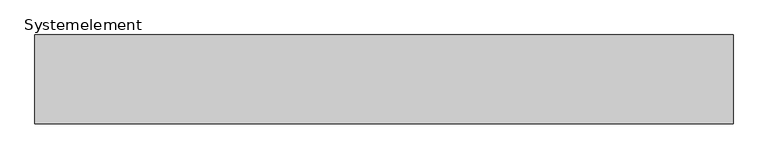
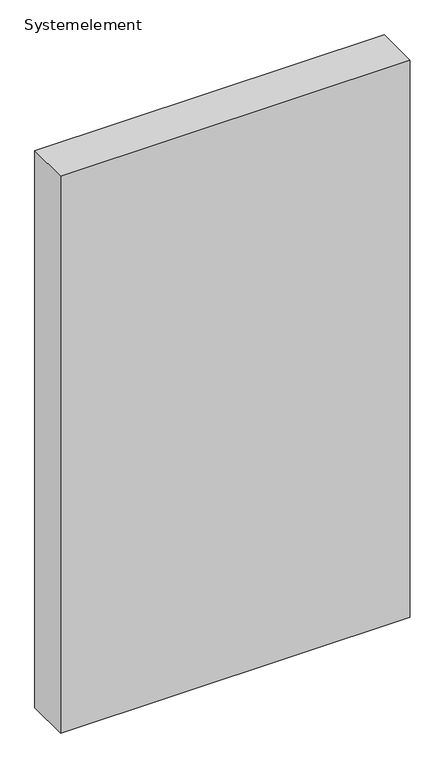
"""IFC4 building model written with IfcOpenShell, lengths in millimetres: plate geometry, Systemelement."""

from ifc_helpers import new_model, si_unit, origin, origin_with_axes, place, context, project, spatial, polyline, outline, extrude, source, transform, mapped, element, save


def systemelement_6c743b6e(model_context):
    return source(origin(), model_context, "Body", "SweptSolid", [
        extrude(outline(polyline([(550.0, -140.0), (-550.0, -140.0), (-550.0, 0.0), (550.0, 0.0), (550.0, -140.0)])), origin_with_axes(), (0.0, 0.0, 1.0), 1851.6147161),
    ])


if __name__ == "__main__":
    model = new_model("IFC4")
    model_context = context("Model", 3, world=origin())
    ifc_project = project(units=[si_unit("LENGTHUNIT", "METRE", prefix="MILLI")], contexts=[model_context])
    site = spatial("IfcSite", under=ifc_project)
    building = spatial("IfcBuilding", under=site)
    placement = place(None, origin())
    systemelement_shape = systemelement_6c743b6e(model_context)
    element("IfcPlate", 1, ObjectType="Systemelement", at=placement, inside=building, context=model_context, shape_type="MappedRepresentation", body=[
        mapped(systemelement_shape, transform((0.0, 0.0, 0.0), x_axis=(1.0, 0.0, 0.0), y_axis=(0.0, 1.0, 0.0), z_axis=(0.0, 0.0, 1.0))),
    ])
    save(model, "model.ifc")
